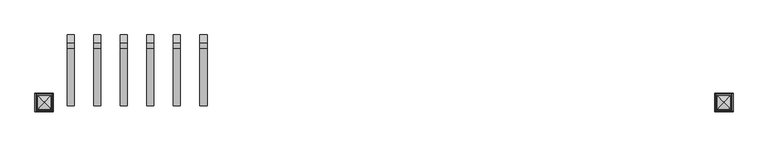
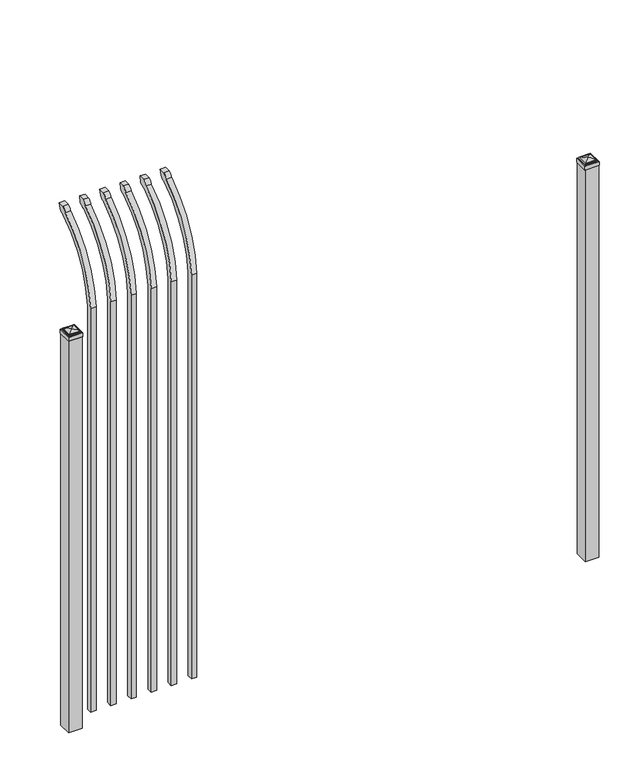
"""IFC4 building model written with IfcOpenShell, lengths in millimetres: railing geometry."""

from ifc_helpers import new_model, si_unit, point, frame, origin, origin_with_axes, place, context, project, spatial, polyline, circle_curve, ellipse_curve, trimmed, outline, extrude, source, transform, mapped, element, save
from ifc_brep_helpers import plane_surface, cylinder_surface, revolved_surface, extruded_surface, advanced_brep


def railing_56560e31(model_context):
    return source(origin(), model_context, "Body", "SolidModel", [
        advanced_brep(
        [(25175.9350064, 11905.619541, 50.8), (25175.9350064, 11905.619541, 2063.9226889), (25175.9350064, 12102.7326851, 2396.1022378), (25175.9350064, 12129.2407099, 2410.7867549), (25175.9350064, 12135.1100864, 2438.4), (25175.9350064, 12106.8799449, 2438.4), (25175.9350064, 12087.4931591, 2417.4682561), (25175.9350064, 11880.219541, 2063.9226889), (25175.9350064, 11880.219541, 50.8), (25150.5350064, 11905.619541, 50.8), (25150.5350064, 11905.619541, 2063.9226889), (25150.5350064, 11880.219541, 2063.9226889), (25150.5350064, 11880.219541, 50.8), (25150.5350064, 12087.4931591, 2417.4682561), (25150.5350064, 12106.8799449, 2438.4), (25150.5350064, 12135.1100864, 2438.4), (25150.5350064, 12129.2407099, 2410.7867549), (25150.5350064, 12102.7326851, 2396.1022378)],
        [
            (0, 1),
            (1, 2, circle_curve(frame((25175.9350064, 12342.9874207, 2028.9640776), z_axis=(-1.0, 0.0, 0.0), x_axis=(0.0, 1.0, 0.0)), 438.7627681)),
            (2, 3, ellipse_curve(frame((25175.9350064, 12110.5579376, 2418.5180619), z_axis=(1.0, 0.0, 0.0), x_axis=(0.0, -0.7771459614569752, -0.6293203910498321)), 26.7460194, 19.05)),
            (3, 4),
            (4, 5),
            (5, 6, ellipse_curve(frame((25175.9350064, 12110.5579376, 2418.5180619), z_axis=(1.0, 0.0, 0.0), x_axis=(0.0, -0.7771459614569761, -0.6293203910498311)), 26.7460194, 19.05)),
            (6, 7, circle_curve(frame((25175.9350064, 12342.0333244, 2030.7065933), z_axis=(1.0, 0.0, 0.0), x_axis=(0.0, 1.0, 0.0)), 463.0067812)),
            (7, 8),
            (8, 0),
            (0, 9),
            (9, 10),
            (10, 1),
            (7, 11),
            (11, 12),
            (12, 8),
            (12, 9),
            (11, 13, circle_curve(frame((25150.5350064, 12342.0333244, 2030.7065933), z_axis=(-1.0, 0.0, 0.0), x_axis=(0.0, 1.0, 0.0)), 463.0067812)),
            (13, 14, ellipse_curve(frame((25150.5350064, 12110.5579376, 2418.5180619), z_axis=(-1.0, 0.0, 0.0), x_axis=(0.0, -0.7771459614569761, -0.6293203910498311)), 26.7460194, 19.05)),
            (14, 15),
            (15, 16),
            (16, 17, ellipse_curve(frame((25150.5350064, 12110.5579376, 2418.5180619), z_axis=(-1.0, 0.0, 0.0), x_axis=(0.0, -0.7771459614569752, -0.6293203910498321)), 26.7460194, 19.05)),
            (17, 10, circle_curve(frame((25150.5350064, 12342.9874207, 2028.9640776), z_axis=(1.0, 0.0, 0.0), x_axis=(0.0, 1.0, 0.0)), 438.7627681)),
            (17, 2),
            (16, 3),
            (15, 4),
            (14, 5),
            (13, 6),
        ],
        [
            plane_surface(frame((25175.9350064, 11905.619541, 50.8), z_axis=(1.0, 0.0, 0.0), x_axis=(0.0, 0.0, 1.0))),
            plane_surface(frame((25175.9350064, 11905.619541, 50.8), z_axis=(0.0, 1.0, 0.0), x_axis=(-1.0, 0.0, 0.0))),
            plane_surface(frame((25175.9350064, 11880.219541, 2063.9226889), z_axis=(0.0, -1.0, 0.0), x_axis=(-1.0, 0.0, 0.0))),
            plane_surface(frame((25175.9350064, 11880.219541, 50.8), z_axis=(0.0, 0.0, -1.0), x_axis=(-1.0, 0.0, 0.0))),
            plane_surface(frame((25150.5350064, 11905.619541, 50.8), z_axis=(-1.0, 0.0, 0.0), x_axis=(0.0, 0.0, -1.0))),
            revolved_surface(polyline([(25150.5350064, 12781.750188799999, 2028.9640776), (25175.9350064, 12781.750188799999, 2028.9640776)]), (25150.5350064, 12342.9874207, 2028.9640776), (-1.0, 0.0, 0.0)),
            extruded_surface(trimmed(ellipse_curve(frame((25125.1350064, 12110.5579376, 2418.5180619), z_axis=(1.0, 0.0, 0.0), x_axis=(0.0, -0.7771459614569752, -0.6293203910498321)), 26.7460194, 19.05), [point((25125.1350064, 12102.7326851, 2396.1022378))], [point((25125.1350064, 12129.2407099, 2410.7867549))], True, "CARTESIAN"), (25.400000000001455, 0.0, 0.0), 25.400000000001455),
            plane_surface(frame((25175.9350064, 12129.2407099, 2410.7867549), z_axis=(0.0, 0.9781476007338008, -0.20791169081778224), x_axis=(-1.0, 0.0, 0.0))),
            plane_surface(frame((25175.9350064, 12135.1100864, 2438.4), z_axis=(0.0, 0.0, 1.0), x_axis=(-1.0, 0.0, 0.0))),
            extruded_surface(trimmed(ellipse_curve(frame((25125.1350064, 12110.5579376, 2418.5180619), z_axis=(1.0, 0.0, 0.0), x_axis=(0.0, -0.7771459614569761, -0.6293203910498311)), 26.7460194, 19.05), [point((25125.1350064, 12106.8799449, 2438.4))], [point((25125.1350064, 12087.4931591, 2417.4682561))], True, "CARTESIAN"), (25.400000000001455, 0.0, 0.0), 25.400000000001455),
            cylinder_surface(frame((25150.5350064, 12342.0333244, 2030.7065933), z_axis=(1.0, 0.0, 0.0), x_axis=(0.0, 1.0, 0.0)), 463.0067812),
        ],
        [
            (0, [[1, 2, 3, 4, 5, 6, 7, 8, 9]]),
            (1, [[-1, 10, 11, 12]]),
            (2, [[-8, 13, 14, 15]]),
            (3, [[-9, -15, 16, -10]]),
            (4, [[-16, -14, 17, 18, 19, 20, 21, 22, -11]]),
            (5, [[-2, -12, -22, 23]]),
            (6, [[-3, -23, -21, 24]]),
            (7, [[-4, -24, -20, 25]]),
            (8, [[-5, -25, -19, 26]]),
            (9, [[-6, -26, -18, 27]]),
            (10, [[-7, -27, -17, -13]]),
        ],
    ),
        advanced_brep(
        [(25080.6850064, 11905.619541, 50.8), (25080.6850064, 11905.619541, 2063.9226889), (25080.6850064, 12102.7326851, 2396.1022378), (25080.6850064, 12129.2407099, 2410.7867549), (25080.6850064, 12135.1100864, 2438.4), (25080.6850064, 12106.8799449, 2438.4), (25080.6850064, 12087.4931591, 2417.4682561), (25080.6850064, 11880.219541, 2063.9226889), (25080.6850064, 11880.219541, 50.8), (25055.2850064, 11905.619541, 50.8), (25055.2850064, 11905.619541, 2063.9226889), (25055.2850064, 11880.219541, 2063.9226889), (25055.2850064, 11880.219541, 50.8), (25055.2850064, 12087.4931591, 2417.4682561), (25055.2850064, 12106.8799449, 2438.4), (25055.2850064, 12135.1100864, 2438.4), (25055.2850064, 12129.2407099, 2410.7867549), (25055.2850064, 12102.7326851, 2396.1022378)],
        [
            (0, 1),
            (1, 2, circle_curve(frame((25080.6850064, 12342.9874207, 2028.9640776), z_axis=(-1.0, 0.0, 0.0), x_axis=(0.0, 1.0, 0.0)), 438.7627681)),
            (2, 3, ellipse_curve(frame((25080.6850064, 12110.5579376, 2418.5180619), z_axis=(1.0, 0.0, 0.0), x_axis=(0.0, -0.7771459614569752, -0.6293203910498321)), 26.7460194, 19.05)),
            (3, 4),
            (4, 5),
            (5, 6, ellipse_curve(frame((25080.6850064, 12110.5579376, 2418.5180619), z_axis=(1.0, 0.0, 0.0), x_axis=(0.0, -0.7771459614569761, -0.6293203910498311)), 26.7460194, 19.05)),
            (6, 7, circle_curve(frame((25080.6850064, 12342.0333244, 2030.7065933), z_axis=(1.0, 0.0, 0.0), x_axis=(0.0, 1.0, 0.0)), 463.0067812)),
            (7, 8),
            (8, 0),
            (0, 9),
            (9, 10),
            (10, 1),
            (7, 11),
            (11, 12),
            (12, 8),
            (12, 9),
            (11, 13, circle_curve(frame((25055.2850064, 12342.0333244, 2030.7065933), z_axis=(-1.0, 0.0, 0.0), x_axis=(0.0, 1.0, 0.0)), 463.0067812)),
            (13, 14, ellipse_curve(frame((25055.2850064, 12110.5579376, 2418.5180619), z_axis=(-1.0, 0.0, 0.0), x_axis=(0.0, -0.7771459614569761, -0.6293203910498311)), 26.7460194, 19.05)),
            (14, 15),
            (15, 16),
            (16, 17, ellipse_curve(frame((25055.2850064, 12110.5579376, 2418.5180619), z_axis=(-1.0, 0.0, 0.0), x_axis=(0.0, -0.7771459614569752, -0.6293203910498321)), 26.7460194, 19.05)),
            (17, 10, circle_curve(frame((25055.2850064, 12342.9874207, 2028.9640776), z_axis=(1.0, 0.0, 0.0), x_axis=(0.0, 1.0, 0.0)), 438.7627681)),
            (17, 2),
            (16, 3),
            (15, 4),
            (14, 5),
            (13, 6),
        ],
        [
            plane_surface(frame((25080.6850064, 11905.619541, 50.8), z_axis=(1.0, 0.0, 0.0), x_axis=(0.0, 0.0, 1.0))),
            plane_surface(frame((25080.6850064, 11905.619541, 50.8), z_axis=(0.0, 1.0, 0.0), x_axis=(-1.0, 0.0, 0.0))),
            plane_surface(frame((25080.6850064, 11880.219541, 2063.9226889), z_axis=(0.0, -1.0, 0.0), x_axis=(-1.0, 0.0, 0.0))),
            plane_surface(frame((25080.6850064, 11880.219541, 50.8), z_axis=(0.0, 0.0, -1.0), x_axis=(-1.0, 0.0, 0.0))),
            plane_surface(frame((25055.2850064, 11905.619541, 50.8), z_axis=(-1.0, 0.0, 0.0), x_axis=(0.0, 0.0, -1.0))),
            revolved_surface(polyline([(25055.2850064, 12781.750188799999, 2028.9640776), (25080.6850064, 12781.750188799999, 2028.9640776)]), (25055.2850064, 12342.9874207, 2028.9640776), (-1.0, 0.0, 0.0)),
            extruded_surface(trimmed(ellipse_curve(frame((25029.8850064, 12110.5579376, 2418.5180619), z_axis=(1.0, 0.0, 0.0), x_axis=(0.0, -0.7771459614569752, -0.6293203910498321)), 26.7460194, 19.05), [point((25029.8850064, 12102.7326851, 2396.1022378))], [point((25029.8850064, 12129.2407099, 2410.7867549))], True, "CARTESIAN"), (25.400000000001455, 0.0, 0.0), 25.400000000001455),
            plane_surface(frame((25080.6850064, 12129.2407099, 2410.7867549), z_axis=(0.0, 0.9781476007338008, -0.20791169081778224), x_axis=(-1.0, 0.0, 0.0))),
            plane_surface(frame((25080.6850064, 12135.1100864, 2438.4), z_axis=(0.0, 0.0, 1.0), x_axis=(-1.0, 0.0, 0.0))),
            extruded_surface(trimmed(ellipse_curve(frame((25029.8850064, 12110.5579376, 2418.5180619), z_axis=(1.0, 0.0, 0.0), x_axis=(0.0, -0.7771459614569761, -0.6293203910498311)), 26.7460194, 19.05), [point((25029.8850064, 12106.8799449, 2438.4))], [point((25029.8850064, 12087.4931591, 2417.4682561))], True, "CARTESIAN"), (25.400000000001455, 0.0, 0.0), 25.400000000001455),
            cylinder_surface(frame((25055.2850064, 12342.0333244, 2030.7065933), z_axis=(1.0, 0.0, 0.0), x_axis=(0.0, 1.0, 0.0)), 463.0067812),
        ],
        [
            (0, [[1, 2, 3, 4, 5, 6, 7, 8, 9]]),
            (1, [[-1, 10, 11, 12]]),
            (2, [[-8, 13, 14, 15]]),
            (3, [[-9, -15, 16, -10]]),
            (4, [[-16, -14, 17, 18, 19, 20, 21, 22, -11]]),
            (5, [[-2, -12, -22, 23]]),
            (6, [[-3, -23, -21, 24]]),
            (7, [[-4, -24, -20, 25]]),
            (8, [[-5, -25, -19, 26]]),
            (9, [[-6, -26, -18, 27]]),
            (10, [[-7, -27, -17, -13]]),
        ],
    ),
        advanced_brep(
        [(24985.4350064, 11905.619541, 50.8), (24985.4350064, 11905.619541, 2063.9226889), (24985.4350064, 12102.7326851, 2396.1022378), (24985.4350064, 12129.2407099, 2410.7867549), (24985.4350064, 12135.1100864, 2438.4), (24985.4350064, 12106.8799449, 2438.4), (24985.4350064, 12087.4931591, 2417.4682561), (24985.4350064, 11880.219541, 2063.9226889), (24985.4350064, 11880.219541, 50.8), (24960.0350064, 11905.619541, 50.8), (24960.0350064, 11905.619541, 2063.9226889), (24960.0350064, 11880.219541, 2063.9226889), (24960.0350064, 11880.219541, 50.8), (24960.0350064, 12087.4931591, 2417.4682561), (24960.0350064, 12106.8799449, 2438.4), (24960.0350064, 12135.1100864, 2438.4), (24960.0350064, 12129.2407099, 2410.7867549), (24960.0350064, 12102.7326851, 2396.1022378)],
        [
            (0, 1),
            (1, 2, circle_curve(frame((24985.4350064, 12342.9874207, 2028.9640776), z_axis=(-1.0, 0.0, 0.0), x_axis=(0.0, 1.0, 0.0)), 438.7627681)),
            (2, 3, ellipse_curve(frame((24985.4350064, 12110.5579376, 2418.5180619), z_axis=(1.0, 0.0, 0.0), x_axis=(0.0, -0.7771459614569752, -0.6293203910498321)), 26.7460194, 19.05)),
            (3, 4),
            (4, 5),
            (5, 6, ellipse_curve(frame((24985.4350064, 12110.5579376, 2418.5180619), z_axis=(1.0, 0.0, 0.0), x_axis=(0.0, -0.7771459614569761, -0.6293203910498311)), 26.7460194, 19.05)),
            (6, 7, circle_curve(frame((24985.4350064, 12342.0333244, 2030.7065933), z_axis=(1.0, 0.0, 0.0), x_axis=(0.0, 1.0, 0.0)), 463.0067812)),
            (7, 8),
            (8, 0),
            (0, 9),
            (9, 10),
            (10, 1),
            (7, 11),
            (11, 12),
            (12, 8),
            (12, 9),
            (11, 13, circle_curve(frame((24960.0350064, 12342.0333244, 2030.7065933), z_axis=(-1.0, 0.0, 0.0), x_axis=(0.0, 1.0, 0.0)), 463.0067812)),
            (13, 14, ellipse_curve(frame((24960.0350064, 12110.5579376, 2418.5180619), z_axis=(-1.0, 0.0, 0.0), x_axis=(0.0, -0.7771459614569761, -0.6293203910498311)), 26.7460194, 19.05)),
            (14, 15),
            (15, 16),
            (16, 17, ellipse_curve(frame((24960.0350064, 12110.5579376, 2418.5180619), z_axis=(-1.0, 0.0, 0.0), x_axis=(0.0, -0.7771459614569752, -0.6293203910498321)), 26.7460194, 19.05)),
            (17, 10, circle_curve(frame((24960.0350064, 12342.9874207, 2028.9640776), z_axis=(1.0, 0.0, 0.0), x_axis=(0.0, 1.0, 0.0)), 438.7627681)),
            (17, 2),
            (16, 3),
            (15, 4),
            (14, 5),
            (13, 6),
        ],
        [
            plane_surface(frame((24985.4350064, 11905.619541, 50.8), z_axis=(1.0, 0.0, 0.0), x_axis=(0.0, 0.0, 1.0))),
            plane_surface(frame((24985.4350064, 11905.619541, 50.8), z_axis=(0.0, 1.0, 0.0), x_axis=(-1.0, 0.0, 0.0))),
            plane_surface(frame((24985.4350064, 11880.219541, 2063.9226889), z_axis=(0.0, -1.0, 0.0), x_axis=(-1.0, 0.0, 0.0))),
            plane_surface(frame((24985.4350064, 11880.219541, 50.8), z_axis=(0.0, 0.0, -1.0), x_axis=(-1.0, 0.0, 0.0))),
            plane_surface(frame((24960.0350064, 11905.619541, 50.8), z_axis=(-1.0, 0.0, 0.0), x_axis=(0.0, 0.0, -1.0))),
            revolved_surface(polyline([(24960.0350064, 12781.750188799999, 2028.9640776), (24985.4350064, 12781.750188799999, 2028.9640776)]), (24960.0350064, 12342.9874207, 2028.9640776), (-1.0, 0.0, 0.0)),
            extruded_surface(trimmed(ellipse_curve(frame((24934.6350064, 12110.5579376, 2418.5180619), z_axis=(1.0, 0.0, 0.0), x_axis=(0.0, -0.7771459614569752, -0.6293203910498321)), 26.7460194, 19.05), [point((24934.6350064, 12102.7326851, 2396.1022378))], [point((24934.6350064, 12129.2407099, 2410.7867549))], True, "CARTESIAN"), (25.400000000001455, 0.0, 0.0), 25.400000000001455),
            plane_surface(frame((24985.4350064, 12129.2407099, 2410.7867549), z_axis=(0.0, 0.9781476007338008, -0.20791169081778224), x_axis=(-1.0, 0.0, 0.0))),
            plane_surface(frame((24985.4350064, 12135.1100864, 2438.4), z_axis=(0.0, 0.0, 1.0), x_axis=(-1.0, 0.0, 0.0))),
            extruded_surface(trimmed(ellipse_curve(frame((24934.6350064, 12110.5579376, 2418.5180619), z_axis=(1.0, 0.0, 0.0), x_axis=(0.0, -0.7771459614569761, -0.6293203910498311)), 26.7460194, 19.05), [point((24934.6350064, 12106.8799449, 2438.4))], [point((24934.6350064, 12087.4931591, 2417.4682561))], True, "CARTESIAN"), (25.400000000001455, 0.0, 0.0), 25.400000000001455),
            cylinder_surface(frame((24960.0350064, 12342.0333244, 2030.7065933), z_axis=(1.0, 0.0, 0.0), x_axis=(0.0, 1.0, 0.0)), 463.0067812),
        ],
        [
            (0, [[1, 2, 3, 4, 5, 6, 7, 8, 9]]),
            (1, [[-1, 10, 11, 12]]),
            (2, [[-8, 13, 14, 15]]),
            (3, [[-9, -15, 16, -10]]),
            (4, [[-16, -14, 17, 18, 19, 20, 21, 22, -11]]),
            (5, [[-2, -12, -22, 23]]),
            (6, [[-3, -23, -21, 24]]),
            (7, [[-4, -24, -20, 25]]),
            (8, [[-5, -25, -19, 26]]),
            (9, [[-6, -26, -18, 27]]),
            (10, [[-7, -27, -17, -13]]),
        ],
    ),
        advanced_brep(
        [(24890.1850064, 11905.619541, 50.8), (24890.1850064, 11905.619541, 2063.9226889), (24890.1850064, 12102.7326851, 2396.1022378), (24890.1850064, 12129.2407099, 2410.7867549), (24890.1850064, 12135.1100864, 2438.4), (24890.1850064, 12106.8799449, 2438.4), (24890.1850064, 12087.4931591, 2417.4682561), (24890.1850064, 11880.219541, 2063.9226889), (24890.1850064, 11880.219541, 50.8), (24864.7850064, 11905.619541, 50.8), (24864.7850064, 11905.619541, 2063.9226889), (24864.7850064, 11880.219541, 2063.9226889), (24864.7850064, 11880.219541, 50.8), (24864.7850064, 12087.4931591, 2417.4682561), (24864.7850064, 12106.8799449, 2438.4), (24864.7850064, 12135.1100864, 2438.4), (24864.7850064, 12129.2407099, 2410.7867549), (24864.7850064, 12102.7326851, 2396.1022378)],
        [
            (0, 1),
            (1, 2, circle_curve(frame((24890.1850064, 12342.9874207, 2028.9640776), z_axis=(-1.0, 0.0, 0.0), x_axis=(0.0, 1.0, 0.0)), 438.7627681)),
            (2, 3, ellipse_curve(frame((24890.1850064, 12110.5579376, 2418.5180619), z_axis=(1.0, 0.0, 0.0), x_axis=(0.0, -0.7771459614569752, -0.6293203910498321)), 26.7460194, 19.05)),
            (3, 4),
            (4, 5),
            (5, 6, ellipse_curve(frame((24890.1850064, 12110.5579376, 2418.5180619), z_axis=(1.0, 0.0, 0.0), x_axis=(0.0, -0.7771459614569761, -0.6293203910498311)), 26.7460194, 19.05)),
            (6, 7, circle_curve(frame((24890.1850064, 12342.0333244, 2030.7065933), z_axis=(1.0, 0.0, 0.0), x_axis=(0.0, 1.0, 0.0)), 463.0067812)),
            (7, 8),
            (8, 0),
            (0, 9),
            (9, 10),
            (10, 1),
            (7, 11),
            (11, 12),
            (12, 8),
            (12, 9),
            (11, 13, circle_curve(frame((24864.7850064, 12342.0333244, 2030.7065933), z_axis=(-1.0, 0.0, 0.0), x_axis=(0.0, 1.0, 0.0)), 463.0067812)),
            (13, 14, ellipse_curve(frame((24864.7850064, 12110.5579376, 2418.5180619), z_axis=(-1.0, 0.0, 0.0), x_axis=(0.0, -0.7771459614569761, -0.6293203910498311)), 26.7460194, 19.05)),
            (14, 15),
            (15, 16),
            (16, 17, ellipse_curve(frame((24864.7850064, 12110.5579376, 2418.5180619), z_axis=(-1.0, 0.0, 0.0), x_axis=(0.0, -0.7771459614569752, -0.6293203910498321)), 26.7460194, 19.05)),
            (17, 10, circle_curve(frame((24864.7850064, 12342.9874207, 2028.9640776), z_axis=(1.0, 0.0, 0.0), x_axis=(0.0, 1.0, 0.0)), 438.7627681)),
            (17, 2),
            (16, 3),
            (15, 4),
            (14, 5),
            (13, 6),
        ],
        [
            plane_surface(frame((24890.1850064, 11905.619541, 50.8), z_axis=(1.0, 0.0, 0.0), x_axis=(0.0, 0.0, 1.0))),
            plane_surface(frame((24890.1850064, 11905.619541, 50.8), z_axis=(0.0, 1.0, 0.0), x_axis=(-1.0, 0.0, 0.0))),
            plane_surface(frame((24890.1850064, 11880.219541, 2063.9226889), z_axis=(0.0, -1.0, 0.0), x_axis=(-1.0, 0.0, 0.0))),
            plane_surface(frame((24890.1850064, 11880.219541, 50.8), z_axis=(0.0, 0.0, -1.0), x_axis=(-1.0, 0.0, 0.0))),
            plane_surface(frame((24864.7850064, 11905.619541, 50.8), z_axis=(-1.0, 0.0, 0.0), x_axis=(0.0, 0.0, -1.0))),
            revolved_surface(polyline([(24864.7850064, 12781.750188799999, 2028.9640776), (24890.1850064, 12781.750188799999, 2028.9640776)]), (24864.7850064, 12342.9874207, 2028.9640776), (-1.0, 0.0, 0.0)),
            extruded_surface(trimmed(ellipse_curve(frame((24839.3850064, 12110.5579376, 2418.5180619), z_axis=(1.0, 0.0, 0.0), x_axis=(0.0, -0.7771459614569752, -0.6293203910498321)), 26.7460194, 19.05), [point((24839.3850064, 12102.7326851, 2396.1022378))], [point((24839.3850064, 12129.2407099, 2410.7867549))], True, "CARTESIAN"), (25.400000000001455, 0.0, 0.0), 25.400000000001455),
            plane_surface(frame((24890.1850064, 12129.2407099, 2410.7867549), z_axis=(0.0, 0.9781476007338008, -0.20791169081778224), x_axis=(-1.0, 0.0, 0.0))),
            plane_surface(frame((24890.1850064, 12135.1100864, 2438.4), z_axis=(0.0, 0.0, 1.0), x_axis=(-1.0, 0.0, 0.0))),
            extruded_surface(trimmed(ellipse_curve(frame((24839.3850064, 12110.5579376, 2418.5180619), z_axis=(1.0, 0.0, 0.0), x_axis=(0.0, -0.7771459614569761, -0.6293203910498311)), 26.7460194, 19.05), [point((24839.3850064, 12106.8799449, 2438.4))], [point((24839.3850064, 12087.4931591, 2417.4682561))], True, "CARTESIAN"), (25.400000000001455, 0.0, 0.0), 25.400000000001455),
            cylinder_surface(frame((24864.7850064, 12342.0333244, 2030.7065933), z_axis=(1.0, 0.0, 0.0), x_axis=(0.0, 1.0, 0.0)), 463.0067812),
        ],
        [
            (0, [[1, 2, 3, 4, 5, 6, 7, 8, 9]]),
            (1, [[-1, 10, 11, 12]]),
            (2, [[-8, 13, 14, 15]]),
            (3, [[-9, -15, 16, -10]]),
            (4, [[-16, -14, 17, 18, 19, 20, 21, 22, -11]]),
            (5, [[-2, -12, -22, 23]]),
            (6, [[-3, -23, -21, 24]]),
            (7, [[-4, -24, -20, 25]]),
            (8, [[-5, -25, -19, 26]]),
            (9, [[-6, -26, -18, 27]]),
            (10, [[-7, -27, -17, -13]]),
        ],
    ),
        advanced_brep(
        [(24794.9350064, 11905.619541, 50.8), (24794.9350064, 11905.619541, 2063.9226889), (24794.9350064, 12102.7326851, 2396.1022378), (24794.9350064, 12129.2407099, 2410.7867549), (24794.9350064, 12135.1100864, 2438.4), (24794.9350064, 12106.8799449, 2438.4), (24794.9350064, 12087.4931591, 2417.4682561), (24794.9350064, 11880.219541, 2063.9226889), (24794.9350064, 11880.219541, 50.8), (24769.5350064, 11905.619541, 50.8), (24769.5350064, 11905.619541, 2063.9226889), (24769.5350064, 11880.219541, 2063.9226889), (24769.5350064, 11880.219541, 50.8), (24769.5350064, 12087.4931591, 2417.4682561), (24769.5350064, 12106.8799449, 2438.4), (24769.5350064, 12135.1100864, 2438.4), (24769.5350064, 12129.2407099, 2410.7867549), (24769.5350064, 12102.7326851, 2396.1022378)],
        [
            (0, 1),
            (1, 2, circle_curve(frame((24794.9350064, 12342.9874207, 2028.9640776), z_axis=(-1.0, 0.0, 0.0), x_axis=(0.0, 1.0, 0.0)), 438.7627681)),
            (2, 3, ellipse_curve(frame((24794.9350064, 12110.5579376, 2418.5180619), z_axis=(1.0, 0.0, 0.0), x_axis=(0.0, -0.7771459614569752, -0.6293203910498321)), 26.7460194, 19.05)),
            (3, 4),
            (4, 5),
            (5, 6, ellipse_curve(frame((24794.9350064, 12110.5579376, 2418.5180619), z_axis=(1.0, 0.0, 0.0), x_axis=(0.0, -0.7771459614569761, -0.6293203910498311)), 26.7460194, 19.05)),
            (6, 7, circle_curve(frame((24794.9350064, 12342.0333244, 2030.7065933), z_axis=(1.0, 0.0, 0.0), x_axis=(0.0, 1.0, 0.0)), 463.0067812)),
            (7, 8),
            (8, 0),
            (0, 9),
            (9, 10),
            (10, 1),
            (7, 11),
            (11, 12),
            (12, 8),
            (12, 9),
            (11, 13, circle_curve(frame((24769.5350064, 12342.0333244, 2030.7065933), z_axis=(-1.0, 0.0, 0.0), x_axis=(0.0, 1.0, 0.0)), 463.0067812)),
            (13, 14, ellipse_curve(frame((24769.5350064, 12110.5579376, 2418.5180619), z_axis=(-1.0, 0.0, 0.0), x_axis=(0.0, -0.7771459614569761, -0.6293203910498311)), 26.7460194, 19.05)),
            (14, 15),
            (15, 16),
            (16, 17, ellipse_curve(frame((24769.5350064, 12110.5579376, 2418.5180619), z_axis=(-1.0, 0.0, 0.0), x_axis=(0.0, -0.7771459614569752, -0.6293203910498321)), 26.7460194, 19.05)),
            (17, 10, circle_curve(frame((24769.5350064, 12342.9874207, 2028.9640776), z_axis=(1.0, 0.0, 0.0), x_axis=(0.0, 1.0, 0.0)), 438.7627681)),
            (17, 2),
            (16, 3),
            (15, 4),
            (14, 5),
            (13, 6),
        ],
        [
            plane_surface(frame((24794.9350064, 11905.619541, 50.8), z_axis=(1.0, 0.0, 0.0), x_axis=(0.0, 0.0, 1.0))),
            plane_surface(frame((24794.9350064, 11905.619541, 50.8), z_axis=(0.0, 1.0, 0.0), x_axis=(-1.0, 0.0, 0.0))),
            plane_surface(frame((24794.9350064, 11880.219541, 2063.9226889), z_axis=(0.0, -1.0, 0.0), x_axis=(-1.0, 0.0, 0.0))),
            plane_surface(frame((24794.9350064, 11880.219541, 50.8), z_axis=(0.0, 0.0, -1.0), x_axis=(-1.0, 0.0, 0.0))),
            plane_surface(frame((24769.5350064, 11905.619541, 50.8), z_axis=(-1.0, 0.0, 0.0), x_axis=(0.0, 0.0, -1.0))),
            revolved_surface(polyline([(24769.5350064, 12781.750188799999, 2028.9640776), (24794.9350064, 12781.750188799999, 2028.9640776)]), (24769.5350064, 12342.9874207, 2028.9640776), (-1.0, 0.0, 0.0)),
            extruded_surface(trimmed(ellipse_curve(frame((24744.1350064, 12110.5579376, 2418.5180619), z_axis=(1.0, 0.0, 0.0), x_axis=(0.0, -0.7771459614569752, -0.6293203910498321)), 26.7460194, 19.05), [point((24744.1350064, 12102.7326851, 2396.1022378))], [point((24744.1350064, 12129.2407099, 2410.7867549))], True, "CARTESIAN"), (25.400000000001455, 0.0, 0.0), 25.400000000001455),
            plane_surface(frame((24794.9350064, 12129.2407099, 2410.7867549), z_axis=(0.0, 0.9781476007338008, -0.20791169081778224), x_axis=(-1.0, 0.0, 0.0))),
            plane_surface(frame((24794.9350064, 12135.1100864, 2438.4), z_axis=(0.0, 0.0, 1.0), x_axis=(-1.0, 0.0, 0.0))),
            extruded_surface(trimmed(ellipse_curve(frame((24744.1350064, 12110.5579376, 2418.5180619), z_axis=(1.0, 0.0, 0.0), x_axis=(0.0, -0.7771459614569761, -0.6293203910498311)), 26.7460194, 19.05), [point((24744.1350064, 12106.8799449, 2438.4))], [point((24744.1350064, 12087.4931591, 2417.4682561))], True, "CARTESIAN"), (25.400000000001455, 0.0, 0.0), 25.400000000001455),
            cylinder_surface(frame((24769.5350064, 12342.0333244, 2030.7065933), z_axis=(1.0, 0.0, 0.0), x_axis=(0.0, 1.0, 0.0)), 463.0067812),
        ],
        [
            (0, [[1, 2, 3, 4, 5, 6, 7, 8, 9]]),
            (1, [[-1, 10, 11, 12]]),
            (2, [[-8, 13, 14, 15]]),
            (3, [[-9, -15, 16, -10]]),
            (4, [[-16, -14, 17, 18, 19, 20, 21, 22, -11]]),
            (5, [[-2, -12, -22, 23]]),
            (6, [[-3, -23, -21, 24]]),
            (7, [[-4, -24, -20, 25]]),
            (8, [[-5, -25, -19, 26]]),
            (9, [[-6, -26, -18, 27]]),
            (10, [[-7, -27, -17, -13]]),
        ],
    ),
        advanced_brep(
        [(24699.6850064, 11905.619541, 50.8), (24699.6850064, 11905.619541, 2063.9226889), (24699.6850064, 12102.7326851, 2396.1022378), (24699.6850064, 12129.2407099, 2410.7867549), (24699.6850064, 12135.1100864, 2438.4), (24699.6850064, 12106.8799449, 2438.4), (24699.6850064, 12087.4931591, 2417.4682561), (24699.6850064, 11880.219541, 2063.9226889), (24699.6850064, 11880.219541, 50.8), (24674.2850064, 11905.619541, 50.8), (24674.2850064, 11905.619541, 2063.9226889), (24674.2850064, 11880.219541, 2063.9226889), (24674.2850064, 11880.219541, 50.8), (24674.2850064, 12087.4931591, 2417.4682561), (24674.2850064, 12106.8799449, 2438.4), (24674.2850064, 12135.1100864, 2438.4), (24674.2850064, 12129.2407099, 2410.7867549), (24674.2850064, 12102.7326851, 2396.1022378)],
        [
            (0, 1),
            (1, 2, circle_curve(frame((24699.6850064, 12342.9874207, 2028.9640776), z_axis=(-1.0, 0.0, 0.0), x_axis=(0.0, 1.0, 0.0)), 438.7627681)),
            (2, 3, ellipse_curve(frame((24699.6850064, 12110.5579376, 2418.5180619), z_axis=(1.0, 0.0, 0.0), x_axis=(0.0, -0.7771459614569752, -0.6293203910498321)), 26.7460194, 19.05)),
            (3, 4),
            (4, 5),
            (5, 6, ellipse_curve(frame((24699.6850064, 12110.5579376, 2418.5180619), z_axis=(1.0, 0.0, 0.0), x_axis=(0.0, -0.7771459614569761, -0.6293203910498311)), 26.7460194, 19.05)),
            (6, 7, circle_curve(frame((24699.6850064, 12342.0333244, 2030.7065933), z_axis=(1.0, 0.0, 0.0), x_axis=(0.0, 1.0, 0.0)), 463.0067812)),
            (7, 8),
            (8, 0),
            (0, 9),
            (9, 10),
            (10, 1),
            (7, 11),
            (11, 12),
            (12, 8),
            (12, 9),
            (11, 13, circle_curve(frame((24674.2850064, 12342.0333244, 2030.7065933), z_axis=(-1.0, 0.0, 0.0), x_axis=(0.0, 1.0, 0.0)), 463.0067812)),
            (13, 14, ellipse_curve(frame((24674.2850064, 12110.5579376, 2418.5180619), z_axis=(-1.0, 0.0, 0.0), x_axis=(0.0, -0.7771459614569761, -0.6293203910498311)), 26.7460194, 19.05)),
            (14, 15),
            (15, 16),
            (16, 17, ellipse_curve(frame((24674.2850064, 12110.5579376, 2418.5180619), z_axis=(-1.0, 0.0, 0.0), x_axis=(0.0, -0.7771459614569752, -0.6293203910498321)), 26.7460194, 19.05)),
            (17, 10, circle_curve(frame((24674.2850064, 12342.9874207, 2028.9640776), z_axis=(1.0, 0.0, 0.0), x_axis=(0.0, 1.0, 0.0)), 438.7627681)),
            (17, 2),
            (16, 3),
            (15, 4),
            (14, 5),
            (13, 6),
        ],
        [
            plane_surface(frame((24699.6850064, 11905.619541, 50.8), z_axis=(1.0, 0.0, 0.0), x_axis=(0.0, 0.0, 1.0))),
            plane_surface(frame((24699.6850064, 11905.619541, 50.8), z_axis=(0.0, 1.0, 0.0), x_axis=(-1.0, 0.0, 0.0))),
            plane_surface(frame((24699.6850064, 11880.219541, 2063.9226889), z_axis=(0.0, -1.0, 0.0), x_axis=(-1.0, 0.0, 0.0))),
            plane_surface(frame((24699.6850064, 11880.219541, 50.8), z_axis=(0.0, 0.0, -1.0), x_axis=(-1.0, 0.0, 0.0))),
            plane_surface(frame((24674.2850064, 11905.619541, 50.8), z_axis=(-1.0, 0.0, 0.0), x_axis=(0.0, 0.0, -1.0))),
            revolved_surface(polyline([(24674.2850064, 12781.750188799999, 2028.9640776), (24699.6850064, 12781.750188799999, 2028.9640776)]), (24674.2850064, 12342.9874207, 2028.9640776), (-1.0, 0.0, 0.0)),
            extruded_surface(trimmed(ellipse_curve(frame((24648.8850064, 12110.5579376, 2418.5180619), z_axis=(1.0, 0.0, 0.0), x_axis=(0.0, -0.7771459614569752, -0.6293203910498321)), 26.7460194, 19.05), [point((24648.8850064, 12102.7326851, 2396.1022378))], [point((24648.8850064, 12129.2407099, 2410.7867549))], True, "CARTESIAN"), (25.400000000001455, 0.0, 0.0), 25.400000000001455),
            plane_surface(frame((24699.6850064, 12129.2407099, 2410.7867549), z_axis=(0.0, 0.9781476007338008, -0.20791169081778224), x_axis=(-1.0, 0.0, 0.0))),
            plane_surface(frame((24699.6850064, 12135.1100864, 2438.4), z_axis=(0.0, 0.0, 1.0), x_axis=(-1.0, 0.0, 0.0))),
            extruded_surface(trimmed(ellipse_curve(frame((24648.8850064, 12110.5579376, 2418.5180619), z_axis=(1.0, 0.0, 0.0), x_axis=(0.0, -0.7771459614569761, -0.6293203910498311)), 26.7460194, 19.05), [point((24648.8850064, 12106.8799449, 2438.4))], [point((24648.8850064, 12087.4931591, 2417.4682561))], True, "CARTESIAN"), (25.400000000001455, 0.0, 0.0), 25.400000000001455),
            cylinder_surface(frame((24674.2850064, 12342.0333244, 2030.7065933), z_axis=(1.0, 0.0, 0.0), x_axis=(0.0, 1.0, 0.0)), 463.0067812),
        ],
        [
            (0, [[1, 2, 3, 4, 5, 6, 7, 8, 9]]),
            (1, [[-1, 10, 11, 12]]),
            (2, [[-8, 13, 14, 15]]),
            (3, [[-9, -15, 16, -10]]),
            (4, [[-16, -14, 17, 18, 19, 20, 21, 22, -11]]),
            (5, [[-2, -12, -22, 23]]),
            (6, [[-3, -23, -21, 24]]),
            (7, [[-4, -24, -20, 25]]),
            (8, [[-5, -25, -19, 26]]),
            (9, [[-6, -26, -18, 27]]),
            (10, [[-7, -27, -17, -13]]),
        ],
    ),
        extrude(outline(polyline([(27061.8850064, 11924.669541), (27061.8850064, 11861.169541), (26998.3850064, 11861.169541), (26998.3850064, 11924.669541), (27061.8850064, 11924.669541)])), origin_with_axes(), (0.0, 0.0, 1.0), 1954.2125),
        advanced_brep(
        [(26996.7975064, 11926.257041, 1972.46875), (26996.7975064, 11926.257041, 1954.2125), (26996.7975064, 11859.582041, 1954.2125), (26996.7975064, 11859.582041, 1972.46875), (26999.1787564, 11923.875791, 1974.85), (26999.1787564, 11861.963291, 1974.85), (27001.5600064, 11921.494541, 1977.23125), (27001.5600064, 11921.494541, 1974.85), (27001.5600064, 11864.344541, 1974.85), (27001.5600064, 11864.344541, 1977.23125), (27003.9412564, 11919.113291, 1979.6125), (27003.9412564, 11866.725791, 1979.6125), (27030.1350064, 11892.919541, 1985.9625), (27006.3225064, 11916.732041, 1979.6125), (27006.3225064, 11869.107041, 1979.6125), (27063.4725064, 11859.582041, 1954.2125), (27063.4725064, 11859.582041, 1972.46875), (27061.0912564, 11861.963291, 1974.85), (27058.7100064, 11864.344541, 1974.85), (27058.7100064, 11864.344541, 1977.23125), (27056.3287564, 11866.725791, 1979.6125), (27053.9475064, 11869.107041, 1979.6125), (27063.4725064, 11926.257041, 1954.2125), (27063.4725064, 11926.257041, 1972.46875), (27061.0912564, 11923.875791, 1974.85), (27058.7100064, 11921.494541, 1974.85), (27058.7100064, 11921.494541, 1977.23125), (27056.3287564, 11919.113291, 1979.6125), (27053.9475064, 11916.732041, 1979.6125)],
        [
            (0, 1),
            (1, 2),
            (2, 3),
            (3, 0),
            (4, 0, ellipse_curve(frame((26999.1787564, 11923.875791, 1972.46875), z_axis=(-0.70710678118655, -0.7071067811865449, 0.0), x_axis=(-0.7071067811865448, 0.7071067811865501, 0.0)), 3.367596, 2.38125)),
            (3, 5, ellipse_curve(frame((26999.1787564, 11861.963291, 1972.46875), z_axis=(-0.7071067811865449, 0.70710678118655, 0.0), x_axis=(0.7071067811865499, 0.707106781186545, 0.0)), 3.367596, 2.38125)),
            (5, 4),
            (6, 7),
            (7, 8),
            (8, 9),
            (9, 6),
            (10, 6, ellipse_curve(frame((27003.9412564, 11919.113291, 1977.23125), z_axis=(-0.70710678118655, -0.7071067811865449, 0.0), x_axis=(-0.7071067811865448, 0.7071067811865501, 0.0)), 3.367596, 2.38125)),
            (9, 11, ellipse_curve(frame((27003.9412564, 11866.725791, 1977.23125), z_axis=(-0.7071067811865449, 0.70710678118655, 0.0), x_axis=(0.7071067811865499, 0.707106781186545, 0.0)), 3.367596, 2.38125)),
            (11, 10),
            (12, 13, ellipse_curve(frame((27030.1350064, 11892.919541, 1938.1390625), z_axis=(-0.70710678118655, -0.7071067811865449, 0.0), x_axis=(-0.7071067811865448, 0.7071067811865501, 0.0)), 67.6325539, 47.8234375)),
            (13, 14),
            (14, 12, ellipse_curve(frame((27030.1350064, 11892.919541, 1938.1390625), z_axis=(-0.7071067811865449, 0.70710678118655, 0.0), x_axis=(0.7071067811865499, 0.707106781186545, 0.0)), 67.6325539, 47.8234375)),
            (2, 15),
            (15, 16),
            (16, 3),
            (16, 17, ellipse_curve(frame((27061.0912564, 11861.963291, 1972.46875), z_axis=(-0.70710678118655, -0.707106781186545, 0.0), x_axis=(-0.707106781186545, 0.70710678118655, 0.0)), 3.367596, 2.38125)),
            (17, 5),
            (8, 18),
            (18, 19),
            (19, 9),
            (19, 20, ellipse_curve(frame((27056.3287564, 11866.725791, 1977.23125), z_axis=(-0.70710678118655, -0.707106781186545, 0.0), x_axis=(-0.707106781186545, 0.70710678118655, 0.0)), 3.367596, 2.38125)),
            (20, 11),
            (14, 21),
            (21, 12, ellipse_curve(frame((27030.1350064, 11892.919541, 1938.1390625), z_axis=(-0.70710678118655, -0.707106781186545, 0.0), x_axis=(-0.707106781186545, 0.70710678118655, 0.0)), 67.6325539, 47.8234375)),
            (15, 22),
            (22, 23),
            (23, 16),
            (23, 24, ellipse_curve(frame((27061.0912564, 11923.875791, 1972.46875), z_axis=(0.707106781186545, -0.7071067811865499, 0.0), x_axis=(-0.7071067811865497, -0.7071067811865452, 0.0)), 3.367596, 2.38125)),
            (24, 17),
            (18, 25),
            (25, 26),
            (26, 19),
            (26, 27, ellipse_curve(frame((27056.3287564, 11919.113291, 1977.23125), z_axis=(0.707106781186545, -0.7071067811865499, 0.0), x_axis=(-0.7071067811865497, -0.7071067811865452, 0.0)), 3.367596, 2.38125)),
            (27, 20),
            (21, 28),
            (28, 12, ellipse_curve(frame((27030.1350064, 11892.919541, 1938.1390625), z_axis=(0.707106781186545, -0.7071067811865499, 0.0), x_axis=(-0.7071067811865497, -0.7071067811865452, 0.0)), 67.6325539, 47.8234375)),
            (22, 1),
            (0, 23),
            (4, 24),
            (7, 25),
            (6, 26),
            (10, 27),
            (13, 28),
        ],
        [
            plane_surface(frame((26996.7975064, 11926.257041, 1954.2125), z_axis=(-1.0, 0.0, 0.0), x_axis=(0.0, -1.0, 0.0))),
            cylinder_surface(frame((26999.1787564, 11924.669541, 1972.46875), z_axis=(0.0, 1.0, 0.0), x_axis=(1.0, 0.0, 0.0)), 2.38125),
            plane_surface(frame((27001.5600064, 11921.494541, 1974.85), z_axis=(-1.0, 0.0, 0.0), x_axis=(0.0, -1.0, 0.0))),
            cylinder_surface(frame((27003.9412564, 11924.669541, 1977.23125), z_axis=(0.0, 1.0, 0.0), x_axis=(1.0, 0.0, 0.0)), 2.38125),
            cylinder_surface(frame((27030.1350064, 11924.669541, 1938.1390625), z_axis=(0.0, 1.0, 0.0), x_axis=(1.0, 0.0, 0.0)), 47.8234375),
            plane_surface(frame((26996.7975064, 11859.582041, 1954.2125), z_axis=(0.0, -1.0, 0.0), x_axis=(1.0, 0.0, 0.0))),
            cylinder_surface(frame((26998.3850064, 11861.963291, 1972.46875), z_axis=(-1.0, 0.0, 0.0), x_axis=(0.0, 1.0, 0.0)), 2.38125),
            plane_surface(frame((27001.5600064, 11864.344541, 1974.85), z_axis=(0.0, -1.0, 0.0), x_axis=(1.0, 0.0, 0.0))),
            cylinder_surface(frame((26998.3850064, 11866.725791, 1977.23125), z_axis=(-1.0, 0.0, 0.0), x_axis=(0.0, 1.0, 0.0)), 2.38125),
            cylinder_surface(frame((26998.3850064, 11892.919541, 1938.1390625), z_axis=(-1.0, 0.0, 0.0), x_axis=(0.0, 1.0, 0.0)), 47.8234375),
            plane_surface(frame((27063.4725064, 11859.582041, 1954.2125), z_axis=(1.0, 0.0, 0.0), x_axis=(0.0, 1.0, 0.0))),
            cylinder_surface(frame((27061.0912564, 11861.169541, 1972.46875), z_axis=(0.0, -1.0, 0.0), x_axis=(-1.0, 0.0, 0.0)), 2.38125),
            plane_surface(frame((27058.7100064, 11864.344541, 1974.85), z_axis=(1.0, 0.0, 0.0), x_axis=(0.0, 1.0, 0.0))),
            cylinder_surface(frame((27056.3287564, 11861.169541, 1977.23125), z_axis=(0.0, -1.0, 0.0), x_axis=(-1.0, 0.0, 0.0)), 2.38125),
            cylinder_surface(frame((27030.1350064, 11861.169541, 1938.1390625), z_axis=(0.0, -1.0, 0.0), x_axis=(-1.0, 0.0, 0.0)), 47.8234375),
            plane_surface(frame((27063.4725064, 11926.257041, 1954.2125), z_axis=(0.0, 1.0, 0.0), x_axis=(-1.0, 0.0, 0.0))),
            cylinder_surface(frame((27061.8850064, 11923.875791, 1972.46875), z_axis=(1.0, 0.0, 0.0), x_axis=(0.0, -1.0, 0.0)), 2.38125),
            plane_surface(frame((27061.0912564, 11923.875791, 1974.85), z_axis=(0.0, 0.0, 1.0), x_axis=(-1.0, 0.0, 0.0))),
            plane_surface(frame((27058.7100064, 11921.494541, 1974.85), z_axis=(0.0, 1.0, 0.0), x_axis=(-1.0, 0.0, 0.0))),
            cylinder_surface(frame((27061.8850064, 11919.113291, 1977.23125), z_axis=(1.0, 0.0, 0.0), x_axis=(0.0, -1.0, 0.0)), 2.38125),
            plane_surface(frame((27056.3287564, 11919.113291, 1979.6125), z_axis=(0.0, 0.0, 1.0), x_axis=(-1.0, 0.0, 0.0))),
            cylinder_surface(frame((27061.8850064, 11892.919541, 1938.1390625), z_axis=(1.0, 0.0, 0.0), x_axis=(0.0, -1.0, 0.0)), 47.8234375),
            plane_surface(frame((27030.1350064, 11892.919541, 1954.2125), z_axis=(0.0, 0.0, -1.0), x_axis=(-1.0, 0.0, 0.0))),
        ],
        [
            (0, [[1, 2, 3, 4]]),
            (1, [[5, -4, 6, 7]]),
            (2, [[8, 9, 10, 11]]),
            (3, [[12, -11, 13, 14]]),
            (4, [[15, 16, 17]]),
            (5, [[-3, 18, 19, 20]]),
            (6, [[-6, -20, 21, 22]]),
            (7, [[-10, 23, 24, 25]]),
            (8, [[-13, -25, 26, 27]]),
            (9, [[-17, 28, 29]]),
            (10, [[-19, 30, 31, 32]]),
            (11, [[-21, -32, 33, 34]]),
            (12, [[-24, 35, 36, 37]]),
            (13, [[-26, -37, 38, 39]]),
            (14, [[-29, 40, 41]]),
            (15, [[-31, 42, -1, 43]]),
            (16, [[-33, -43, -5, 44]]),
            (17, [[-22, -34, -44, -7], [45, -35, -23, -9]]),
            (18, [[-36, -45, -8, 46]]),
            (19, [[-38, -46, -12, 47]]),
            (20, [[-27, -39, -47, -14], [48, -40, -28, -16]]),
            (21, [[-41, -48, -15]]),
            (22, [[-42, -30, -18, -2]]),
        ],
    ),
        extrude(outline(polyline([(24623.4850064, 11924.669541), (24623.4850064, 11861.169541), (24559.9850064, 11861.169541), (24559.9850064, 11924.669541), (24623.4850064, 11924.669541)])), origin_with_axes(), (0.0, 0.0, 1.0), 1954.2125),
        advanced_brep(
        [(24558.3975064, 11926.257041, 1972.46875), (24558.3975064, 11926.257041, 1954.2125), (24558.3975064, 11859.582041, 1954.2125), (24558.3975064, 11859.582041, 1972.46875), (24560.7787564, 11923.875791, 1974.85), (24560.7787564, 11861.963291, 1974.85), (24563.1600064, 11921.494541, 1977.23125), (24563.1600064, 11921.494541, 1974.85), (24563.1600064, 11864.344541, 1974.85), (24563.1600064, 11864.344541, 1977.23125), (24565.5412564, 11919.113291, 1979.6125), (24565.5412564, 11866.725791, 1979.6125), (24591.7350064, 11892.919541, 1985.9625), (24567.9225064, 11916.732041, 1979.6125), (24567.9225064, 11869.107041, 1979.6125), (24625.0725064, 11859.582041, 1954.2125), (24625.0725064, 11859.582041, 1972.46875), (24622.6912564, 11861.963291, 1974.85), (24620.3100064, 11864.344541, 1974.85), (24620.3100064, 11864.344541, 1977.23125), (24617.9287564, 11866.725791, 1979.6125), (24615.5475064, 11869.107041, 1979.6125), (24625.0725064, 11926.257041, 1954.2125), (24625.0725064, 11926.257041, 1972.46875), (24622.6912564, 11923.875791, 1974.85), (24620.3100064, 11921.494541, 1974.85), (24620.3100064, 11921.494541, 1977.23125), (24617.9287564, 11919.113291, 1979.6125), (24615.5475064, 11916.732041, 1979.6125)],
        [
            (0, 1),
            (1, 2),
            (2, 3),
            (3, 0),
            (4, 0, ellipse_curve(frame((24560.7787564, 11923.875791, 1972.46875), z_axis=(-0.70710678118655, -0.7071067811865449, 0.0), x_axis=(-0.7071067811865448, 0.7071067811865501, 0.0)), 3.367596, 2.38125)),
            (3, 5, ellipse_curve(frame((24560.7787564, 11861.963291, 1972.46875), z_axis=(-0.7071067811865449, 0.70710678118655, 0.0), x_axis=(0.7071067811865499, 0.707106781186545, 0.0)), 3.367596, 2.38125)),
            (5, 4),
            (6, 7),
            (7, 8),
            (8, 9),
            (9, 6),
            (10, 6, ellipse_curve(frame((24565.5412564, 11919.113291, 1977.23125), z_axis=(-0.70710678118655, -0.7071067811865449, 0.0), x_axis=(-0.7071067811865448, 0.7071067811865501, 0.0)), 3.367596, 2.38125)),
            (9, 11, ellipse_curve(frame((24565.5412564, 11866.725791, 1977.23125), z_axis=(-0.7071067811865449, 0.70710678118655, 0.0), x_axis=(0.7071067811865499, 0.707106781186545, 0.0)), 3.367596, 2.38125)),
            (11, 10),
            (12, 13, ellipse_curve(frame((24591.7350064, 11892.919541, 1938.1390625), z_axis=(-0.70710678118655, -0.7071067811865449, 0.0), x_axis=(-0.7071067811865448, 0.7071067811865501, 0.0)), 67.6325539, 47.8234375)),
            (13, 14),
            (14, 12, ellipse_curve(frame((24591.7350064, 11892.919541, 1938.1390625), z_axis=(-0.7071067811865449, 0.70710678118655, 0.0), x_axis=(0.7071067811865499, 0.707106781186545, 0.0)), 67.6325539, 47.8234375)),
            (2, 15),
            (15, 16),
            (16, 3),
            (16, 17, ellipse_curve(frame((24622.6912564, 11861.963291, 1972.46875), z_axis=(-0.70710678118655, -0.707106781186545, 0.0), x_axis=(-0.707106781186545, 0.70710678118655, 0.0)), 3.367596, 2.38125)),
            (17, 5),
            (8, 18),
            (18, 19),
            (19, 9),
            (19, 20, ellipse_curve(frame((24617.9287564, 11866.725791, 1977.23125), z_axis=(-0.70710678118655, -0.707106781186545, 0.0), x_axis=(-0.707106781186545, 0.70710678118655, 0.0)), 3.367596, 2.38125)),
            (20, 11),
            (14, 21),
            (21, 12, ellipse_curve(frame((24591.7350064, 11892.919541, 1938.1390625), z_axis=(-0.70710678118655, -0.707106781186545, 0.0), x_axis=(-0.707106781186545, 0.70710678118655, 0.0)), 67.6325539, 47.8234375)),
            (15, 22),
            (22, 23),
            (23, 16),
            (23, 24, ellipse_curve(frame((24622.6912564, 11923.875791, 1972.46875), z_axis=(0.707106781186545, -0.7071067811865499, 0.0), x_axis=(-0.7071067811865497, -0.7071067811865452, 0.0)), 3.367596, 2.38125)),
            (24, 17),
            (18, 25),
            (25, 26),
            (26, 19),
            (26, 27, ellipse_curve(frame((24617.9287564, 11919.113291, 1977.23125), z_axis=(0.707106781186545, -0.7071067811865499, 0.0), x_axis=(-0.7071067811865497, -0.7071067811865452, 0.0)), 3.367596, 2.38125)),
            (27, 20),
            (21, 28),
            (28, 12, ellipse_curve(frame((24591.7350064, 11892.919541, 1938.1390625), z_axis=(0.707106781186545, -0.7071067811865499, 0.0), x_axis=(-0.7071067811865497, -0.7071067811865452, 0.0)), 67.6325539, 47.8234375)),
            (22, 1),
            (0, 23),
            (4, 24),
            (7, 25),
            (6, 26),
            (10, 27),
            (13, 28),
        ],
        [
            plane_surface(frame((24558.3975064, 11926.257041, 1954.2125), z_axis=(-1.0, 0.0, 0.0), x_axis=(0.0, -1.0, 0.0))),
            cylinder_surface(frame((24560.7787564, 11924.669541, 1972.46875), z_axis=(0.0, 1.0, 0.0), x_axis=(1.0, 0.0, 0.0)), 2.38125),
            plane_surface(frame((24563.1600064, 11921.494541, 1974.85), z_axis=(-1.0, 0.0, 0.0), x_axis=(0.0, -1.0, 0.0))),
            cylinder_surface(frame((24565.5412564, 11924.669541, 1977.23125), z_axis=(0.0, 1.0, 0.0), x_axis=(1.0, 0.0, 0.0)), 2.38125),
            cylinder_surface(frame((24591.7350064, 11924.669541, 1938.1390625), z_axis=(0.0, 1.0, 0.0), x_axis=(1.0, 0.0, 0.0)), 47.8234375),
            plane_surface(frame((24558.3975064, 11859.582041, 1954.2125), z_axis=(0.0, -1.0, 0.0), x_axis=(1.0, 0.0, 0.0))),
            cylinder_surface(frame((24559.9850064, 11861.963291, 1972.46875), z_axis=(-1.0, 0.0, 0.0), x_axis=(0.0, 1.0, 0.0)), 2.38125),
            plane_surface(frame((24563.1600064, 11864.344541, 1974.85), z_axis=(0.0, -1.0, 0.0), x_axis=(1.0, 0.0, 0.0))),
            cylinder_surface(frame((24559.9850064, 11866.725791, 1977.23125), z_axis=(-1.0, 0.0, 0.0), x_axis=(0.0, 1.0, 0.0)), 2.38125),
            cylinder_surface(frame((24559.9850064, 11892.919541, 1938.1390625), z_axis=(-1.0, 0.0, 0.0), x_axis=(0.0, 1.0, 0.0)), 47.8234375),
            plane_surface(frame((24625.0725064, 11859.582041, 1954.2125), z_axis=(1.0, 0.0, 0.0), x_axis=(0.0, 1.0, 0.0))),
            cylinder_surface(frame((24622.6912564, 11861.169541, 1972.46875), z_axis=(0.0, -1.0, 0.0), x_axis=(-1.0, 0.0, 0.0)), 2.38125),
            plane_surface(frame((24620.3100064, 11864.344541, 1974.85), z_axis=(1.0, 0.0, 0.0), x_axis=(0.0, 1.0, 0.0))),
            cylinder_surface(frame((24617.9287564, 11861.169541, 1977.23125), z_axis=(0.0, -1.0, 0.0), x_axis=(-1.0, 0.0, 0.0)), 2.38125),
            cylinder_surface(frame((24591.7350064, 11861.169541, 1938.1390625), z_axis=(0.0, -1.0, 0.0), x_axis=(-1.0, 0.0, 0.0)), 47.8234375),
            plane_surface(frame((24625.0725064, 11926.257041, 1954.2125), z_axis=(0.0, 1.0, 0.0), x_axis=(-1.0, 0.0, 0.0))),
            cylinder_surface(frame((24623.4850064, 11923.875791, 1972.46875), z_axis=(1.0, 0.0, 0.0), x_axis=(0.0, -1.0, 0.0)), 2.38125),
            plane_surface(frame((24622.6912564, 11923.875791, 1974.85), z_axis=(0.0, 0.0, 1.0), x_axis=(-1.0, 0.0, 0.0))),
            plane_surface(frame((24620.3100064, 11921.494541, 1974.85), z_axis=(0.0, 1.0, 0.0), x_axis=(-1.0, 0.0, 0.0))),
            cylinder_surface(frame((24623.4850064, 11919.113291, 1977.23125), z_axis=(1.0, 0.0, 0.0), x_axis=(0.0, -1.0, 0.0)), 2.38125),
            plane_surface(frame((24617.9287564, 11919.113291, 1979.6125), z_axis=(0.0, 0.0, 1.0), x_axis=(-1.0, 0.0, 0.0))),
            cylinder_surface(frame((24623.4850064, 11892.919541, 1938.1390625), z_axis=(1.0, 0.0, 0.0), x_axis=(0.0, -1.0, 0.0)), 47.8234375),
            plane_surface(frame((24591.7350064, 11892.919541, 1954.2125), z_axis=(0.0, 0.0, -1.0), x_axis=(-1.0, 0.0, 0.0))),
        ],
        [
            (0, [[1, 2, 3, 4]]),
            (1, [[5, -4, 6, 7]]),
            (2, [[8, 9, 10, 11]]),
            (3, [[12, -11, 13, 14]]),
            (4, [[15, 16, 17]]),
            (5, [[-3, 18, 19, 20]]),
            (6, [[-6, -20, 21, 22]]),
            (7, [[-10, 23, 24, 25]]),
            (8, [[-13, -25, 26, 27]]),
            (9, [[-17, 28, 29]]),
            (10, [[-19, 30, 31, 32]]),
            (11, [[-21, -32, 33, 34]]),
            (12, [[-24, 35, 36, 37]]),
            (13, [[-26, -37, 38, 39]]),
            (14, [[-29, 40, 41]]),
            (15, [[-31, 42, -1, 43]]),
            (16, [[-33, -43, -5, 44]]),
            (17, [[-22, -34, -44, -7], [45, -35, -23, -9]]),
            (18, [[-36, -45, -8, 46]]),
            (19, [[-38, -46, -12, 47]]),
            (20, [[-27, -39, -47, -14], [48, -40, -28, -16]]),
            (21, [[-41, -48, -15]]),
            (22, [[-42, -30, -18, -2]]),
        ],
    ),
    ])


if __name__ == "__main__":
    model = new_model("IFC4")
    model_context = context("Model", 3, world=origin())
    ifc_project = project(units=[si_unit("LENGTHUNIT", "METRE", prefix="MILLI")], contexts=[model_context])
    site = spatial("IfcSite", under=ifc_project)
    building = spatial("IfcBuilding", under=site)
    placement = place(None, origin())
    railing_shape = railing_56560e31(model_context)
    element("IfcRailing", 1, at=placement, inside=building, context=model_context, shape_type="MappedRepresentation", body=[
        mapped(railing_shape, transform((0.0, 0.0, 0.0), x_axis=(1.0, 0.0, 0.0), y_axis=(0.0, 1.0, 0.0), z_axis=(0.0, 0.0, 1.0))),
    ])
    save(model, "model.ifc")
